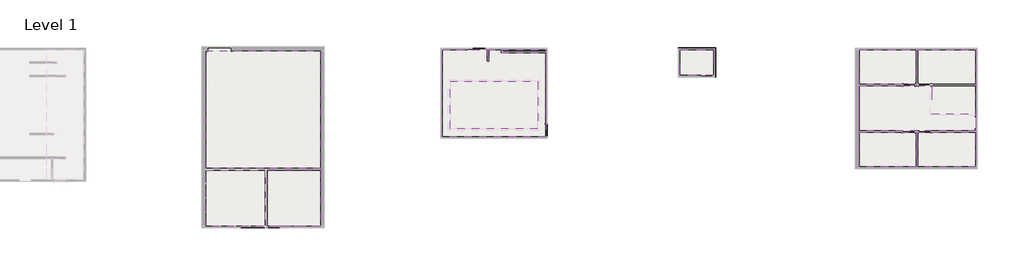
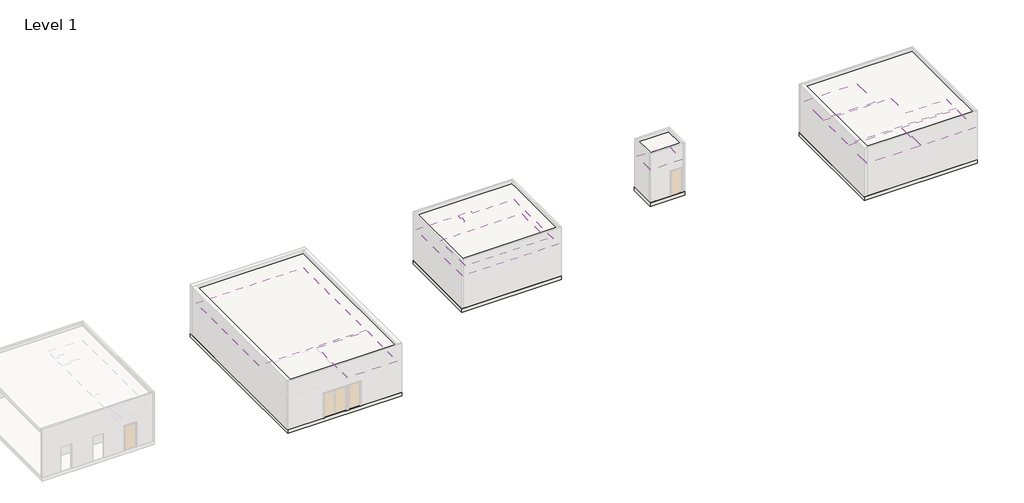
# One storey, part 11 of 51: 9 coverings, 8 slabs.
"""IFC4 building model written with IfcOpenShell, lengths in millimetres."""

from ifc_helpers import new_model, si_unit, frame, origin, place, context, project, spatial, polyline, outline, extrude, element, save

model = new_model("IFC4")

# Units and contexts
model_context = context("Model", 3, world=origin())
ifc_project = project(units=[si_unit("LENGTHUNIT", "METRE", prefix="MILLI")], contexts=[model_context])

# Site, building, storey
site = spatial("IfcSite", under=ifc_project)
building = spatial("IfcBuilding", under=site)
storey = spatial("IfcBuildingStorey", under=building, Name="Level 1", Elevation=0.0)

# Coverings
placement = place(None, origin())
element("IfcCovering", 1, ObjectType="5/8\" GWB on Mtl. Stud", at=placement, inside=storey, context=model_context, shape_type="SweptSolid", body=[
    extrude(outline(polyline([(213238.240984, -15847.0426669), (205284.865984, -15847.0426669), (205284.865984, -9141.4426669), (208747.1513317, -9141.4426669), (208747.1513317, -10044.7301669), (208870.9763317, -10044.7301669), (208870.9763317, -9141.4426669), (209836.1763317, -9141.4426669), (209836.1763317, -9373.2176669), (213238.240984, -9373.2176669), (213238.240984, -15847.0426669)]), holes=[polyline([(212628.640984, -11579.8426669), (205894.465984, -11579.8426669), (205894.465984, -15237.4426669), (212628.640984, -15237.4426669), (212628.640984, -11579.8426669)])]), frame((0.0, 0.0, 2743.2), z_axis=(0.0, 0.0, 1.0), x_axis=(1.0, 0.0, 0.0)), (0.0, 0.0, 1.0), 107.95),
])
element("IfcCovering", 2, ObjectType="5/8\" GWB on Mtl. Stud", at=placement, inside=storey, context=model_context, shape_type="SweptSolid", body=[
    extrude(outline(polyline([(212628.640984, -11579.8426669), (212628.640984, -15237.4426669), (205894.465984, -15237.4426669), (205894.465984, -11579.8426669), (212628.640984, -11579.8426669)])), frame((0.0, 0.0, 3048.0), z_axis=(0.0, 0.0, 1.0), x_axis=(1.0, 0.0, 0.0)), (0.0, 0.0, 1.0), 107.95),
])
element("IfcCovering", 3, ObjectType="5/8\" GWB on Mtl. Stud", at=placement, inside=storey, context=model_context, shape_type="SweptSolid", body=[
    extrude(outline(polyline([(226181.128484, -9141.4426669), (226181.128484, -11122.6426669), (223572.865984, -11122.6426669), (223572.865984, -9141.4426669), (226181.128484, -9141.4426669)])), frame((0.0, 0.0, 2743.2), z_axis=(0.0, 0.0, 1.0), x_axis=(1.0, 0.0, 0.0)), (0.0, 0.0, 1.0), 107.95),
])
element("IfcCovering", 4, ObjectType="SFO 2'x2\" Ceiling Tile", at=placement, inside=storey, context=model_context, shape_type="SweptSolid", body=[
    extrude(outline(polyline([(187087.353484, -18274.3301669), (187087.353484, -9231.9301669), (195926.553484, -9231.9301669), (195926.553484, -18274.3301669), (187087.353484, -18274.3301669)])), frame((0.0, 0.0, 2743.2), z_axis=(0.0, 0.0, 1.0), x_axis=(1.0, 0.0, 0.0)), (0.0, 0.0, 1.0), 57.15),
])
element("IfcCovering", 5, ObjectType="SFO 2'x2\" Ceiling Tile", at=placement, inside=storey, context=model_context, shape_type="SweptSolid", body=[
    extrude(outline(polyline([(191811.753484, -22733.6176669), (191811.753484, -18398.1551669), (195926.553484, -18398.1551669), (195926.553484, -22733.6176669), (191811.753484, -22733.6176669)])), frame((0.0, 0.0, 2743.2), z_axis=(0.0, 0.0, 1.0), x_axis=(1.0, 0.0, 0.0)), (0.0, 0.0, 1.0), 57.15),
])
element("IfcCovering", 6, ObjectType="SFO 2'x2\" Ceiling Tile", at=placement, inside=storey, context=model_context, shape_type="SweptSolid", body=[
    extrude(outline(polyline([(237379.353484, -15385.270156), (237379.353484, -11921.345156), (242956.240984, -11921.345156), (242956.240984, -14054.945156), (246309.040984, -14054.945156), (246309.040984, -15385.270156), (237379.353484, -15385.270156)])), frame((0.0, 0.0, 2743.2), z_axis=(0.0, 0.0, 1.0), x_axis=(1.0, 0.0, 0.0)), (0.0, 0.0, 1.0), 57.15),
])
element("IfcCovering", 7, ObjectType="SFO 2'x2\" Ceiling Tile", at=placement, inside=storey, context=model_context, shape_type="SweptSolid", body=[
    extrude(outline(polyline([(237379.353484, -9141.4426669), (241737.040984, -9141.4426669), (241737.040984, -11797.520156), (237379.353484, -11797.520156), (237379.353484, -9141.4426669)])), frame((0.0, 0.0, 2743.2), z_axis=(0.0, 0.0, 1.0), x_axis=(1.0, 0.0, 0.0)), (0.0, 0.0, 1.0), 57.15),
])
element("IfcCovering", 8, ObjectType="SFO 2'x2\" Ceiling Tile", at=placement, inside=storey, context=model_context, shape_type="SweptSolid", body=[
    extrude(outline(polyline([(246309.040984, -18161.6176669), (241860.865984, -18161.6176669), (241860.865984, -15509.095156), (246309.040984, -15509.095156), (246309.040984, -18161.6176669)])), frame((0.0, 0.0, 2743.2), z_axis=(0.0, 0.0, 1.0), x_axis=(1.0, 0.0, 0.0)), (0.0, 0.0, 1.0), 57.15),
])
element("IfcCovering", 9, ObjectType="SFO 2'x2\" Ceiling Tile", at=placement, inside=storey, context=model_context, shape_type="SweptSolid", body=[
    extrude(outline(polyline([(237379.353484, -18161.6176669), (237379.353484, -15509.095156), (241737.040984, -15509.095156), (241737.040984, -18161.6176669), (237379.353484, -18161.6176669)])), frame((0.0, 0.0, 2743.2), z_axis=(0.0, 0.0, 1.0), x_axis=(1.0, 0.0, 0.0)), (0.0, 0.0, 1.0), 57.15),
])

# Slabs
element("IfcSlab", 10, ObjectType="SFO Generic 12\"", at=placement, inside=storey, context=model_context, shape_type="SweptSolid", body=[
    extrude(outline(polyline([(196231.353484, -8927.1301669), (196231.353484, -22857.4426669), (186782.553484, -22857.4426669), (186782.553484, -8927.1301669), (196231.353484, -8927.1301669)])), frame((0.0, 0.0, -304.8), z_axis=(0.0, 0.0, 1.0), x_axis=(1.0, 0.0, 0.0)), (0.0, 0.0, 1.0), 304.8),
])
element("IfcSlab", 11, ObjectType="SFO Generic 12\"", at=placement, inside=storey, context=model_context, shape_type="SweptSolid", body=[
    extrude(outline(polyline([(205161.040984, -15970.8676669), (205161.040984, -9017.6176669), (213362.065984, -9017.6176669), (213362.065984, -15970.8676669), (205161.040984, -15970.8676669)])), frame((0.0, 0.0, -304.8), z_axis=(0.0, 0.0, 1.0), x_axis=(1.0, 0.0, 0.0)), (0.0, 0.0, 1.0), 304.8),
])
element("IfcSlab", 12, ObjectType="SFO Generic 12\"", at=placement, inside=storey, context=model_context, shape_type="SweptSolid", body=[
    extrude(outline(polyline([(226319.2839018, -9003.2872492), (226319.2839018, -11260.7980846), (223434.7105663, -11260.7980846), (223434.7105663, -9003.2872492), (226319.2839018, -9003.2872492)])), frame((0.0, 0.0, -304.8), z_axis=(0.0, 0.0, 1.0), x_axis=(1.0, 0.0, 0.0)), (0.0, 0.0, 1.0), 304.8),
])
element("IfcSlab", 13, ObjectType="SFO Generic 12\"", at=placement, inside=storey, context=model_context, shape_type="SweptSolid", body=[
    extrude(outline(polyline([(246432.865984, -9017.6176669), (246432.865984, -18285.4426669), (237074.553484, -18285.4426669), (237074.553484, -9017.6176669), (246432.865984, -9017.6176669)])), frame((0.0, 0.0, -304.8), z_axis=(0.0, 0.0, 1.0), x_axis=(1.0, 0.0, 0.0)), (0.0, 0.0, 1.0), 304.8),
])
element("IfcSlab", 14, ObjectType="SFO_structural roof", at=placement, inside=storey, context=model_context, shape_type="SweptSolid", body=[
    extrude(outline(polyline([(195926.553484, -22733.6176669), (187087.353484, -22733.6176669), (187087.353484, -9231.9301669), (195926.553484, -9231.9301669), (195926.553484, -22733.6176669)])), frame((0.0, 0.0, 3657.6), z_axis=(0.0, 0.0, 1.0), x_axis=(1.0, 0.0, 0.0)), (0.0, 0.0, 1.0), 304.8),
])
element("IfcSlab", 15, ObjectType="SFO_structural roof", at=placement, inside=storey, context=model_context, shape_type="SweptSolid", body=[
    extrude(outline(polyline([(213238.240984, -15847.0426669), (205284.865984, -15847.0426669), (205284.865984, -9141.4426669), (213238.240984, -9141.4426669), (213238.240984, -15847.0426669)])), frame((0.0, 0.0, 3657.6), z_axis=(0.0, 0.0, 1.0), x_axis=(1.0, 0.0, 0.0)), (0.0, 0.0, 1.0), 304.8),
])
element("IfcSlab", 16, ObjectType="SFO_structural roof", at=placement, inside=storey, context=model_context, shape_type="SweptSolid", body=[
    extrude(outline(polyline([(226181.128484, -11122.6426669), (223572.865984, -11122.6426669), (223572.865984, -9141.4426669), (226181.128484, -9141.4426669), (226181.128484, -11122.6426669)])), frame((0.0, 0.0, 3657.6), z_axis=(0.0, 0.0, 1.0), x_axis=(1.0, 0.0, 0.0)), (0.0, 0.0, 1.0), 304.8),
])
element("IfcSlab", 17, ObjectType="SFO_structural roof", at=placement, inside=storey, context=model_context, shape_type="SweptSolid", body=[
    extrude(outline(polyline([(246309.040984, -18161.6176669), (237379.353484, -18161.6176669), (237379.353484, -9141.4426669), (246309.040984, -9141.4426669), (246309.040984, -18161.6176669)])), frame((0.0, 0.0, 3657.6), z_axis=(0.0, 0.0, 1.0), x_axis=(1.0, 0.0, 0.0)), (0.0, 0.0, 1.0), 304.8),
])

save(model, "model.ifc")
